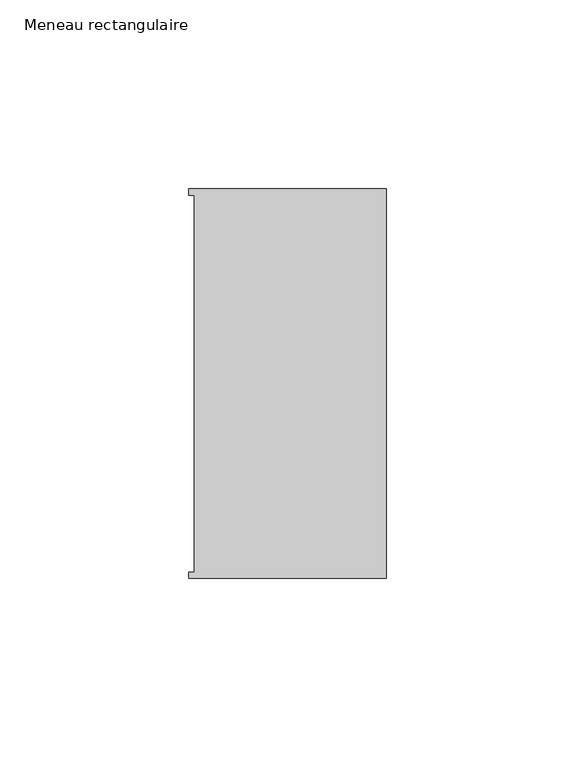
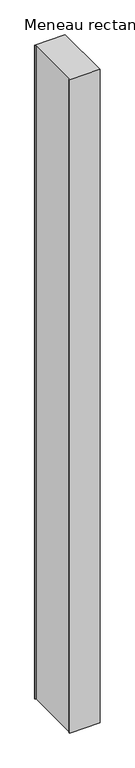
"""IFC4 building model written with IfcOpenShell, lengths in millimetres: member geometry, Meneau rectangulaire."""

from ifc_helpers import new_model, si_unit, frame, origin, place, context, project, spatial, polyline, outline, extrude, source, transform, mapped, element, save


def meneau_rectangulaire_1458a09c(model_context):
    return source(origin(), model_context, "Body", "SweptSolid", [
        extrude(outline(polyline([(-52.3, 51.6531441), (0.0, 51.6531441), (0.0, -51.6130012), (-52.3, -51.6130012), (-52.3, -49.9174099), (-50.9, -49.9174099), (-50.9, 49.9174073), (-52.3, 49.9174073), (-52.3, 51.6531441)])), frame((0.0, 0.0, -1183.1500003), z_axis=(0.0, 0.0, 1.0), x_axis=(1.0, 0.0, 0.0)), (0.0, 0.0, 1.0), 1183.1500003),
    ])


if __name__ == "__main__":
    model = new_model("IFC4")
    model_context = context("Model", 3, world=origin())
    ifc_project = project(units=[si_unit("LENGTHUNIT", "METRE", prefix="MILLI")], contexts=[model_context])
    site = spatial("IfcSite", under=ifc_project)
    building = spatial("IfcBuilding", under=site)
    placement = place(None, origin())
    meneau_rectangulaire_shape = meneau_rectangulaire_1458a09c(model_context)
    element("IfcMember", 1, ObjectType="Meneau rectangulaire", at=placement, inside=building, context=model_context, shape_type="MappedRepresentation", body=[
        mapped(meneau_rectangulaire_shape, transform((0.0, 0.0, 0.0), x_axis=(1.0, 0.0, 0.0), y_axis=(0.0, 1.0, 0.0), z_axis=(0.0, 0.0, 1.0))),
    ])
    save(model, "model.ifc")
